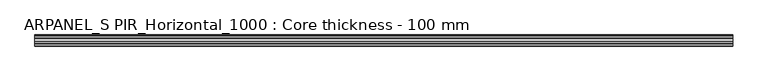
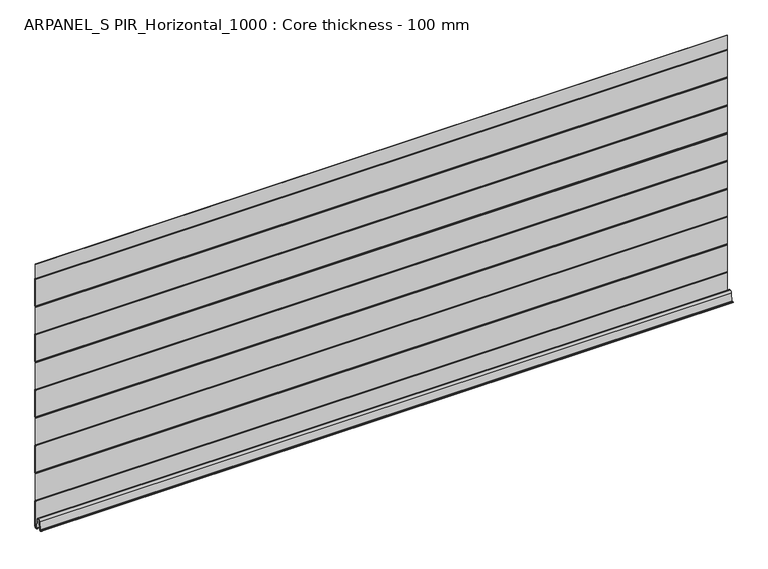
"""IFC4 building model written with IfcOpenShell, lengths in millimetres: plate geometry, ARPANEL_S PIR_Horizontal_1000 : Core thickness - 100 mm."""

from ifc_helpers import new_model, si_unit, frame, origin, place, context, project, spatial, polyline, circle_curve, source, transform, mapped, element, save
from ifc_brep_helpers import plane_surface, cylinder_surface, revolved_surface, advanced_brep


def arpanel_s_pir_horizontal_1000_core_thickness_100_mm_38e1f380(model_context):
    return source(origin(), model_context, "Body", "AdvancedBrep", [
        advanced_brep(
        [(-620.0, -0.7003051, 473.4703605), (-620.0, -0.4016712, 472.4190026), (-620.0, -0.0003051, 470.9985637), (-620.0, -0.0003051, 420.8387805), (-620.0, -0.4034608, 419.4194474), (-620.0, -0.7003051, 418.3669837), (-620.0, -0.7003051, 368.2072005), (-620.0, -0.4016712, 367.1558426), (-620.0, -0.0003051, 365.7354037), (-620.0, -0.0003051, 315.5756205), (-620.0, -0.4034608, 314.1562874), (-620.0, -0.7003051, 313.1038237), (-620.0, -0.7003051, 262.9440405), (-620.0, -0.4016712, 261.8926826), (-620.0, -0.0003051, 260.4722437), (-620.0, -0.0003051, 210.3124605), (-620.0, -0.4034608, 208.8931274), (-620.0, -0.7003051, 207.8406637), (-620.0, -0.7003051, 157.6808805), (-620.0, -0.4016712, 156.6295226), (-620.0, -0.0003051, 155.2090837), (-620.0, -0.0003051, 105.0493005), (-620.0, -0.4034608, 103.6299674), (-620.0, -0.7003051, 102.5775037), (-620.0, -0.7003051, 52.4177205), (-620.0, -0.4016712, 51.3663626), (-620.0, -0.0003051, 49.9459237), (-620.0, -0.0003051, 3.0900682), (-620.0, -6.18551, 2.7875612), (-620.0, -7.802884, 19.2828169), (-620.0, -10.8223285, 21.9898782), (-620.0, -13.8417729, 19.2828169), (-620.0, -15.2274002, 5.1510966), (-620.0, -19.6169005, 5.365779), (-620.0, -18.8169005, 5.365779), (-620.0, -16.0235822, 5.2291629), (-620.0, -14.6379549, 19.3608832), (-620.0, -10.8223285, 22.7899182), (-620.0, -7.0067021, 19.3608832), (-620.0, -5.3893281, 2.8656275), (-620.0, -0.8003051, 3.0900682), (-620.0, -0.8, 49.9459237), (-620.0, -1.0986697, 50.9973395), (-620.0, -1.5003051, 52.4177205), (-620.0, -1.5003051, 102.5775037), (-620.0, -1.0971009, 103.9969151), (-620.0, -0.8, 105.0493005), (-620.0, -0.8, 155.2090837), (-620.0, -1.0986697, 156.2604995), (-620.0, -1.5003051, 157.6808805), (-620.0, -1.5003051, 207.8406637), (-620.0, -1.0971009, 209.2600751), (-620.0, -0.8, 210.3124605), (-620.0, -0.8, 260.4722437), (-620.0, -1.0986697, 261.5236595), (-620.0, -1.5003051, 262.9440405), (-620.0, -1.5003051, 313.1038237), (-620.0, -1.0971009, 314.5232351), (-620.0, -0.8, 315.5756205), (-620.0, -0.8, 365.7354037), (-620.0, -1.0986697, 366.7868195), (-620.0, -1.5003051, 368.2072005), (-620.0, -1.5003051, 418.3669837), (-620.0, -1.0971009, 419.7863951), (-620.0, -0.8, 420.8387805), (-620.0, -0.8, 470.9985637), (-620.0, -1.0986697, 472.0499795), (-620.0, -1.5003051, 473.4703605), (-620.0, -1.5003051, 500.0), (-620.0, -0.7003051, 500.0), (620.0, -1.5003051, 473.4703605), (620.0, -1.0971009, 472.0509491), (620.0, -0.8, 470.9985637), (620.0, -0.8, 420.8387805), (620.0, -1.0986697, 419.7873646), (620.0, -1.5003051, 418.3669837), (620.0, -1.5003051, 368.2072005), (620.0, -1.0971009, 366.7877891), (620.0, -0.8, 365.7354037), (620.0, -0.8, 315.5756205), (620.0, -1.0986697, 314.5242046), (620.0, -1.5003051, 313.1038237), (620.0, -1.5003051, 262.9440405), (620.0, -1.0971009, 261.5246291), (620.0, -0.8, 260.4722437), (620.0, -0.8, 210.3124605), (620.0, -1.0986697, 209.2610446), (620.0, -1.5003051, 207.8406637), (620.0, -1.5003051, 157.6808805), (620.0, -1.0971009, 156.2614691), (620.0, -0.8, 155.2090837), (620.0, -0.8, 105.0493005), (620.0, -1.0986697, 103.9978846), (620.0, -1.5003051, 102.5775037), (620.0, -1.5003051, 52.4177205), (620.0, -1.0971009, 50.9983091), (620.0, -0.8, 49.9459237), (620.0, -0.8, 3.0900682), (620.0, -5.3893281, 2.8656275), (620.0, -7.0067021, 19.3608832), (620.0, -10.8223285, 22.7899182), (620.0, -14.6379549, 19.3608832), (620.0, -16.0235822, 5.2291629), (620.0, -18.8169005, 5.365779), (620.0, -19.6169005, 5.365779), (620.0, -15.2274002, 5.1510966), (620.0, -13.8417729, 19.2828169), (620.0, -10.8223285, 21.9898782), (620.0, -7.802884, 19.2828169), (620.0, -6.18551, 2.7875612), (620.0, -0.0003051, 3.0900682), (620.0, -0.0003051, 49.9459237), (620.0, -0.4034608, 51.3652568), (620.0, -0.7003051, 52.4177205), (620.0, -0.7003051, 102.5775037), (620.0, -0.4016712, 103.6288615), (620.0, -0.0003051, 105.0493005), (620.0, -0.0003051, 155.2090837), (620.0, -0.4034608, 156.6284168), (620.0, -0.7003051, 157.6808805), (620.0, -0.7003051, 207.8406637), (620.0, -0.4016712, 208.8920215), (620.0, -0.0003051, 210.3124605), (620.0, -0.0003051, 260.4722437), (620.0, -0.4034608, 261.8915768), (620.0, -0.7003051, 262.9440405), (620.0, -0.7003051, 313.1038237), (620.0, -0.4016712, 314.1551815), (620.0, -0.0003051, 315.5756205), (620.0, -0.0003051, 365.7354037), (620.0, -0.4034608, 367.1547368), (620.0, -0.7003051, 368.2072005), (620.0, -0.7003051, 418.3669837), (620.0, -0.4016712, 419.4183415), (620.0, -0.0003051, 420.8387805), (620.0, -0.0003051, 470.9985637), (620.0, -0.4034608, 472.4178968), (620.0, -0.7003051, 473.4703605), (620.0, -0.7003051, 500.0), (620.0, -1.5003051, 500.0)],
        [
            (0, 1, circle_curve(frame((-620.0, 1.2996949, 473.4703605), z_axis=(1.0, 0.0, 0.0), x_axis=(0.0, 0.0, -1.0)), 2.0)),
            (1, 2, circle_curve(frame((-620.0, -2.7003051, 470.9985637), z_axis=(-1.0, 0.0, 0.0), x_axis=(0.0, 0.0, -1.0)), 2.7)),
            (2, 3),
            (3, 4, circle_curve(frame((-620.0, -2.7003051, 420.8387805), z_axis=(-1.0, 0.0, 0.0), x_axis=(0.0, 0.0, -1.0)), 2.7)),
            (4, 5, circle_curve(frame((-620.0, 1.2996949, 418.3669837), z_axis=(1.0, 0.0, 0.0), x_axis=(0.0, 0.0, -1.0)), 2.0)),
            (5, 6),
            (6, 7, circle_curve(frame((-620.0, 1.2996949, 368.2072005), z_axis=(1.0, 0.0, 0.0), x_axis=(0.0, 0.0, -1.0)), 2.0)),
            (7, 8, circle_curve(frame((-620.0, -2.7003051, 365.7354037), z_axis=(-1.0, 0.0, 0.0), x_axis=(0.0, 0.0, -1.0)), 2.7)),
            (8, 9),
            (9, 10, circle_curve(frame((-620.0, -2.7003051, 315.5756205), z_axis=(-1.0, 0.0, 0.0), x_axis=(0.0, 0.0, -1.0)), 2.7)),
            (10, 11, circle_curve(frame((-620.0, 1.2996949, 313.1038237), z_axis=(1.0, 0.0, 0.0), x_axis=(0.0, 0.0, -1.0)), 2.0)),
            (11, 12),
            (12, 13, circle_curve(frame((-620.0, 1.2996949, 262.9440405), z_axis=(1.0, 0.0, 0.0), x_axis=(0.0, 0.0, -1.0)), 2.0)),
            (13, 14, circle_curve(frame((-620.0, -2.7003051, 260.4722437), z_axis=(-1.0, 0.0, 0.0), x_axis=(0.0, 0.0, -1.0)), 2.7)),
            (14, 15),
            (15, 16, circle_curve(frame((-620.0, -2.7003051, 210.3124605), z_axis=(-1.0, 0.0, 0.0), x_axis=(0.0, 0.0, -1.0)), 2.7)),
            (16, 17, circle_curve(frame((-620.0, 1.2996949, 207.8406637), z_axis=(1.0, 0.0, 0.0), x_axis=(0.0, 0.0, -1.0)), 2.0)),
            (17, 18),
            (18, 19, circle_curve(frame((-620.0, 1.2996949, 157.6808805), z_axis=(1.0, 0.0, 0.0), x_axis=(0.0, 0.0, -1.0)), 2.0)),
            (19, 20, circle_curve(frame((-620.0, -2.7003051, 155.2090837), z_axis=(-1.0, 0.0, 0.0), x_axis=(0.0, 0.0, -1.0)), 2.7)),
            (20, 21),
            (21, 22, circle_curve(frame((-620.0, -2.7003051, 105.0493005), z_axis=(-1.0, 0.0, 0.0), x_axis=(0.0, 0.0, -1.0)), 2.7)),
            (22, 23, circle_curve(frame((-620.0, 1.2996949, 102.5775037), z_axis=(1.0, 0.0, 0.0), x_axis=(0.0, 0.0, -1.0)), 2.0)),
            (23, 24),
            (24, 25, circle_curve(frame((-620.0, 1.2996949, 52.4177205), z_axis=(1.0, 0.0, 0.0), x_axis=(0.0, 0.0, -1.0)), 2.0)),
            (25, 26, circle_curve(frame((-620.0, -2.7003051, 49.9459237), z_axis=(-1.0, 0.0, 0.0), x_axis=(0.0, 0.0, -1.0)), 2.7)),
            (26, 27),
            (27, 28, circle_curve(frame((-620.0, -3.1003051, 3.0900682), z_axis=(-1.0, 0.0, 0.0), x_axis=(0.0, 0.0, -1.0)), 3.1)),
            (28, 29),
            (29, 30, circle_curve(frame((-620.0, -10.7885662, 18.9900682), z_axis=(1.0, 0.0, 0.0), x_axis=(0.0, 0.0, -1.0)), 3.0)),
            (30, 31, circle_curve(frame((-620.0, -10.8560907, 18.9900682), z_axis=(1.0, 0.0, 0.0), x_axis=(0.0, 0.0, -1.0)), 3.0)),
            (31, 32),
            (32, 33, circle_curve(frame((-620.0, -17.4169005, 5.365779), z_axis=(-1.0, 0.0, 0.0), x_axis=(0.0, 0.0, -1.0)), 2.2)),
            (33, 34),
            (34, 35, circle_curve(frame((-620.0, -17.4169005, 5.365779), z_axis=(1.0, 0.0, 0.0), x_axis=(0.0, 0.0, -1.0)), 1.4)),
            (35, 36),
            (36, 37, circle_curve(frame((-620.0, -10.8560907, 18.9900682), z_axis=(-1.0, 0.0, 0.0), x_axis=(0.0, 0.0, -1.0)), 3.8)),
            (37, 38, circle_curve(frame((-620.0, -10.7885662, 18.9900682), z_axis=(-1.0, 0.0, 0.0), x_axis=(0.0, 0.0, -1.0)), 3.8)),
            (38, 39),
            (39, 40, circle_curve(frame((-620.0, -3.1003051, 3.0900682), z_axis=(1.0, 0.0, 0.0), x_axis=(0.0, 0.0, -1.0)), 2.3)),
            (40, 41),
            (41, 42, circle_curve(frame((-620.0, -2.8, 49.9459237), z_axis=(1.0, 0.0, 0.0), x_axis=(0.0, 0.0, -1.0)), 2.0)),
            (42, 43, circle_curve(frame((-620.0, 1.1996949, 52.4177205), z_axis=(-1.0, 0.0, 0.0), x_axis=(0.0, 0.0, -1.0)), 2.7)),
            (43, 44),
            (44, 45, circle_curve(frame((-620.0, 1.1996949, 102.5775037), z_axis=(-1.0, 0.0, 0.0), x_axis=(0.0, 0.0, -1.0)), 2.7)),
            (45, 46, circle_curve(frame((-620.0, -2.8, 105.0493005), z_axis=(1.0, 0.0, 0.0), x_axis=(0.0, 0.0, -1.0)), 2.0)),
            (46, 47),
            (47, 48, circle_curve(frame((-620.0, -2.8, 155.2090837), z_axis=(1.0, 0.0, 0.0), x_axis=(0.0, 0.0, -1.0)), 2.0)),
            (48, 49, circle_curve(frame((-620.0, 1.1996949, 157.6808805), z_axis=(-1.0, 0.0, 0.0), x_axis=(0.0, 0.0, -1.0)), 2.7)),
            (49, 50),
            (50, 51, circle_curve(frame((-620.0, 1.1996949, 207.8406637), z_axis=(-1.0, 0.0, 0.0), x_axis=(0.0, 0.0, -1.0)), 2.7)),
            (51, 52, circle_curve(frame((-620.0, -2.8, 210.3124605), z_axis=(1.0, 0.0, 0.0), x_axis=(0.0, 0.0, -1.0)), 2.0)),
            (52, 53),
            (53, 54, circle_curve(frame((-620.0, -2.8, 260.4722437), z_axis=(1.0, 0.0, 0.0), x_axis=(0.0, 0.0, -1.0)), 2.0)),
            (54, 55, circle_curve(frame((-620.0, 1.1996949, 262.9440405), z_axis=(-1.0, 0.0, 0.0), x_axis=(0.0, 0.0, -1.0)), 2.7)),
            (55, 56),
            (56, 57, circle_curve(frame((-620.0, 1.1996949, 313.1038237), z_axis=(-1.0, 0.0, 0.0), x_axis=(0.0, 0.0, -1.0)), 2.7)),
            (57, 58, circle_curve(frame((-620.0, -2.8, 315.5756205), z_axis=(1.0, 0.0, 0.0), x_axis=(0.0, 0.0, -1.0)), 2.0)),
            (58, 59),
            (59, 60, circle_curve(frame((-620.0, -2.8, 365.7354037), z_axis=(1.0, 0.0, 0.0), x_axis=(0.0, 0.0, -1.0)), 2.0)),
            (60, 61, circle_curve(frame((-620.0, 1.1996949, 368.2072005), z_axis=(-1.0, 0.0, 0.0), x_axis=(0.0, 0.0, -1.0)), 2.7)),
            (61, 62),
            (62, 63, circle_curve(frame((-620.0, 1.1996949, 418.3669837), z_axis=(-1.0, 0.0, 0.0), x_axis=(0.0, 0.0, -1.0)), 2.7)),
            (63, 64, circle_curve(frame((-620.0, -2.8, 420.8387805), z_axis=(1.0, 0.0, 0.0), x_axis=(0.0, 0.0, -1.0)), 2.0)),
            (64, 65),
            (65, 66, circle_curve(frame((-620.0, -2.8, 470.9985637), z_axis=(1.0, 0.0, 0.0), x_axis=(0.0, 0.0, -1.0)), 2.0)),
            (66, 67, circle_curve(frame((-620.0, 1.1996949, 473.4703605), z_axis=(-1.0, 0.0, 0.0), x_axis=(0.0, 0.0, -1.0)), 2.7)),
            (67, 68),
            (68, 69),
            (69, 0),
            (70, 71, circle_curve(frame((620.0, 1.1996949, 473.4703605), z_axis=(1.0, 0.0, 0.0), x_axis=(0.0, 0.0, -1.0)), 2.7)),
            (71, 72, circle_curve(frame((620.0, -2.8, 470.9985637), z_axis=(-1.0, 0.0, 0.0), x_axis=(0.0, 0.0, -1.0)), 2.0)),
            (72, 73),
            (73, 74, circle_curve(frame((620.0, -2.8, 420.8387805), z_axis=(-1.0, 0.0, 0.0), x_axis=(0.0, 0.0, -1.0)), 2.0)),
            (74, 75, circle_curve(frame((620.0, 1.1996949, 418.3669837), z_axis=(1.0, 0.0, 0.0), x_axis=(0.0, 0.0, -1.0)), 2.7)),
            (75, 76),
            (76, 77, circle_curve(frame((620.0, 1.1996949, 368.2072005), z_axis=(1.0, 0.0, 0.0), x_axis=(0.0, 0.0, -1.0)), 2.7)),
            (77, 78, circle_curve(frame((620.0, -2.8, 365.7354037), z_axis=(-1.0, 0.0, 0.0), x_axis=(0.0, 0.0, -1.0)), 2.0)),
            (78, 79),
            (79, 80, circle_curve(frame((620.0, -2.8, 315.5756205), z_axis=(-1.0, 0.0, 0.0), x_axis=(0.0, 0.0, -1.0)), 2.0)),
            (80, 81, circle_curve(frame((620.0, 1.1996949, 313.1038237), z_axis=(1.0, 0.0, 0.0), x_axis=(0.0, 0.0, -1.0)), 2.7)),
            (81, 82),
            (82, 83, circle_curve(frame((620.0, 1.1996949, 262.9440405), z_axis=(1.0, 0.0, 0.0), x_axis=(0.0, 0.0, -1.0)), 2.7)),
            (83, 84, circle_curve(frame((620.0, -2.8, 260.4722437), z_axis=(-1.0, 0.0, 0.0), x_axis=(0.0, 0.0, -1.0)), 2.0)),
            (84, 85),
            (85, 86, circle_curve(frame((620.0, -2.8, 210.3124605), z_axis=(-1.0, 0.0, 0.0), x_axis=(0.0, 0.0, -1.0)), 2.0)),
            (86, 87, circle_curve(frame((620.0, 1.1996949, 207.8406637), z_axis=(1.0, 0.0, 0.0), x_axis=(0.0, 0.0, -1.0)), 2.7)),
            (87, 88),
            (88, 89, circle_curve(frame((620.0, 1.1996949, 157.6808805), z_axis=(1.0, 0.0, 0.0), x_axis=(0.0, 0.0, -1.0)), 2.7)),
            (89, 90, circle_curve(frame((620.0, -2.8, 155.2090837), z_axis=(-1.0, 0.0, 0.0), x_axis=(0.0, 0.0, -1.0)), 2.0)),
            (90, 91),
            (91, 92, circle_curve(frame((620.0, -2.8, 105.0493005), z_axis=(-1.0, 0.0, 0.0), x_axis=(0.0, 0.0, -1.0)), 2.0)),
            (92, 93, circle_curve(frame((620.0, 1.1996949, 102.5775037), z_axis=(1.0, 0.0, 0.0), x_axis=(0.0, 0.0, -1.0)), 2.7)),
            (93, 94),
            (94, 95, circle_curve(frame((620.0, 1.1996949, 52.4177205), z_axis=(1.0, 0.0, 0.0), x_axis=(0.0, 0.0, -1.0)), 2.7)),
            (95, 96, circle_curve(frame((620.0, -2.8, 49.9459237), z_axis=(-1.0, 0.0, 0.0), x_axis=(0.0, 0.0, -1.0)), 2.0)),
            (96, 97),
            (97, 98, circle_curve(frame((620.0, -3.1003051, 3.0900682), z_axis=(-1.0, 0.0, 0.0), x_axis=(0.0, 0.0, -1.0)), 2.3)),
            (98, 99),
            (99, 100, circle_curve(frame((620.0, -10.7885662, 18.9900682), z_axis=(1.0, 0.0, 0.0), x_axis=(0.0, 0.0, -1.0)), 3.8)),
            (100, 101, circle_curve(frame((620.0, -10.8560907, 18.9900682), z_axis=(1.0, 0.0, 0.0), x_axis=(0.0, 0.0, -1.0)), 3.8)),
            (101, 102),
            (102, 103, circle_curve(frame((620.0, -17.4169005, 5.365779), z_axis=(-1.0, 0.0, 0.0), x_axis=(0.0, 0.0, -1.0)), 1.4)),
            (103, 104),
            (104, 105, circle_curve(frame((620.0, -17.4169005, 5.365779), z_axis=(1.0, 0.0, 0.0), x_axis=(0.0, 0.0, -1.0)), 2.2)),
            (105, 106),
            (106, 107, circle_curve(frame((620.0, -10.8560907, 18.9900682), z_axis=(-1.0, 0.0, 0.0), x_axis=(0.0, 0.0, -1.0)), 3.0)),
            (107, 108, circle_curve(frame((620.0, -10.7885662, 18.9900682), z_axis=(-1.0, 0.0, 0.0), x_axis=(0.0, 0.0, -1.0)), 3.0)),
            (108, 109),
            (109, 110, circle_curve(frame((620.0, -3.1003051, 3.0900682), z_axis=(1.0, 0.0, 0.0), x_axis=(0.0, 0.0, -1.0)), 3.1)),
            (110, 111),
            (111, 112, circle_curve(frame((620.0, -2.7003051, 49.9459237), z_axis=(1.0, 0.0, 0.0), x_axis=(0.0, 0.0, -1.0)), 2.7)),
            (112, 113, circle_curve(frame((620.0, 1.2996949, 52.4177205), z_axis=(-1.0, 0.0, 0.0), x_axis=(0.0, 0.0, -1.0)), 2.0)),
            (113, 114),
            (114, 115, circle_curve(frame((620.0, 1.2996949, 102.5775037), z_axis=(-1.0, 0.0, 0.0), x_axis=(0.0, 0.0, -1.0)), 2.0)),
            (115, 116, circle_curve(frame((620.0, -2.7003051, 105.0493005), z_axis=(1.0, 0.0, 0.0), x_axis=(0.0, 0.0, -1.0)), 2.7)),
            (116, 117),
            (117, 118, circle_curve(frame((620.0, -2.7003051, 155.2090837), z_axis=(1.0, 0.0, 0.0), x_axis=(0.0, 0.0, -1.0)), 2.7)),
            (118, 119, circle_curve(frame((620.0, 1.2996949, 157.6808805), z_axis=(-1.0, 0.0, 0.0), x_axis=(0.0, 0.0, -1.0)), 2.0)),
            (119, 120),
            (120, 121, circle_curve(frame((620.0, 1.2996949, 207.8406637), z_axis=(-1.0, 0.0, 0.0), x_axis=(0.0, 0.0, -1.0)), 2.0)),
            (121, 122, circle_curve(frame((620.0, -2.7003051, 210.3124605), z_axis=(1.0, 0.0, 0.0), x_axis=(0.0, 0.0, -1.0)), 2.7)),
            (122, 123),
            (123, 124, circle_curve(frame((620.0, -2.7003051, 260.4722437), z_axis=(1.0, 0.0, 0.0), x_axis=(0.0, 0.0, -1.0)), 2.7)),
            (124, 125, circle_curve(frame((620.0, 1.2996949, 262.9440405), z_axis=(-1.0, 0.0, 0.0), x_axis=(0.0, 0.0, -1.0)), 2.0)),
            (125, 126),
            (126, 127, circle_curve(frame((620.0, 1.2996949, 313.1038237), z_axis=(-1.0, 0.0, 0.0), x_axis=(0.0, 0.0, -1.0)), 2.0)),
            (127, 128, circle_curve(frame((620.0, -2.7003051, 315.5756205), z_axis=(1.0, 0.0, 0.0), x_axis=(0.0, 0.0, -1.0)), 2.7)),
            (128, 129),
            (129, 130, circle_curve(frame((620.0, -2.7003051, 365.7354037), z_axis=(1.0, 0.0, 0.0), x_axis=(0.0, 0.0, -1.0)), 2.7)),
            (130, 131, circle_curve(frame((620.0, 1.2996949, 368.2072005), z_axis=(-1.0, 0.0, 0.0), x_axis=(0.0, 0.0, -1.0)), 2.0)),
            (131, 132),
            (132, 133, circle_curve(frame((620.0, 1.2996949, 418.3669837), z_axis=(-1.0, 0.0, 0.0), x_axis=(0.0, 0.0, -1.0)), 2.0)),
            (133, 134, circle_curve(frame((620.0, -2.7003051, 420.8387805), z_axis=(1.0, 0.0, 0.0), x_axis=(0.0, 0.0, -1.0)), 2.7)),
            (134, 135),
            (135, 136, circle_curve(frame((620.0, -2.7003051, 470.9985637), z_axis=(1.0, 0.0, 0.0), x_axis=(0.0, 0.0, -1.0)), 2.7)),
            (136, 137, circle_curve(frame((620.0, 1.2996949, 473.4703605), z_axis=(-1.0, 0.0, 0.0), x_axis=(0.0, 0.0, -1.0)), 2.0)),
            (137, 138),
            (138, 139),
            (139, 70),
            (67, 70),
            (139, 68),
            (66, 71),
            (65, 72),
            (64, 73),
            (63, 74),
            (62, 75),
            (61, 76),
            (60, 77),
            (59, 78),
            (58, 79),
            (57, 80),
            (56, 81),
            (55, 82),
            (54, 83),
            (53, 84),
            (52, 85),
            (51, 86),
            (50, 87),
            (49, 88),
            (48, 89),
            (47, 90),
            (46, 91),
            (45, 92),
            (44, 93),
            (43, 94),
            (42, 95),
            (41, 96),
            (40, 97),
            (39, 98),
            (38, 99),
            (37, 100),
            (36, 101),
            (35, 102),
            (34, 103),
            (33, 104),
            (32, 105),
            (31, 106),
            (30, 107),
            (29, 108),
            (28, 109),
            (27, 110),
            (26, 111),
            (25, 112),
            (24, 113),
            (23, 114),
            (22, 115),
            (21, 116),
            (20, 117),
            (19, 118),
            (18, 119),
            (17, 120),
            (16, 121),
            (15, 122),
            (14, 123),
            (13, 124),
            (12, 125),
            (11, 126),
            (10, 127),
            (9, 128),
            (8, 129),
            (7, 130),
            (6, 131),
            (5, 132),
            (4, 133),
            (3, 134),
            (2, 135),
            (1, 136),
            (0, 137),
            (69, 138),
        ],
        [
            plane_surface(frame((-620.0, 0.0, 0.0), z_axis=(-1.0, 0.0, 0.0), x_axis=(0.0, -1.0, 0.0))),
            plane_surface(frame((620.0, 0.0, 0.0), z_axis=(1.0, 0.0, 0.0), x_axis=(0.0, -1.0, 0.0))),
            plane_surface(frame((-620.0, -1.5003051, 473.4703605), z_axis=(0.0, -1.0, 0.0), x_axis=(1.0, 0.0, 0.0))),
            cylinder_surface(frame((-620.0, 1.1996949, 473.4703605), z_axis=(-1.0, 0.0, 0.0), x_axis=(0.0, 0.0, -1.0)), 2.7),
            revolved_surface(polyline([(620.0, -2.8, 468.9985637), (-620.0, -2.8, 468.9985637)]), (-620.0, -2.8, 470.9985637), (1.0, 0.0, 0.0)),
            plane_surface(frame((-620.0, -0.8, 420.8387805), z_axis=(0.0, -1.0, 0.0), x_axis=(1.0, 0.0, 0.0))),
            revolved_surface(polyline([(620.0, -2.8, 418.8387805), (-620.0, -2.8, 418.8387805)]), (-620.0, -2.8, 420.8387805), (1.0, 0.0, 0.0)),
            cylinder_surface(frame((-620.0, 1.1996949, 418.3669837), z_axis=(-1.0, 0.0, 0.0), x_axis=(0.0, 0.0, -1.0)), 2.7),
            plane_surface(frame((-620.0, -1.5003051, 368.2072005), z_axis=(0.0, -1.0, 0.0), x_axis=(1.0, 0.0, 0.0))),
            cylinder_surface(frame((-620.0, 1.1996949, 368.2072005), z_axis=(-1.0, 0.0, 0.0), x_axis=(0.0, 0.0, -1.0)), 2.7),
            revolved_surface(polyline([(620.0, -2.8, 363.7354037), (-620.0, -2.8, 363.7354037)]), (-620.0, -2.8, 365.7354037), (1.0, 0.0, 0.0)),
            plane_surface(frame((-620.0, -0.8, 315.5756205), z_axis=(0.0, -1.0, 0.0), x_axis=(1.0, 0.0, 0.0))),
            revolved_surface(polyline([(620.0, -2.8, 313.5756205), (-620.0, -2.8, 313.5756205)]), (-620.0, -2.8, 315.5756205), (1.0, 0.0, 0.0)),
            cylinder_surface(frame((-620.0, 1.1996949, 313.1038237), z_axis=(-1.0, 0.0, 0.0), x_axis=(0.0, 0.0, -1.0)), 2.7),
            plane_surface(frame((-620.0, -1.5003051, 262.9440405), z_axis=(0.0, -1.0, 0.0), x_axis=(1.0, 0.0, 0.0))),
            cylinder_surface(frame((-620.0, 1.1996949, 262.9440405), z_axis=(-1.0, 0.0, 0.0), x_axis=(0.0, 0.0, -1.0)), 2.7),
            revolved_surface(polyline([(620.0, -2.8, 258.4722437), (-620.0, -2.8, 258.4722437)]), (-620.0, -2.8, 260.4722437), (1.0, 0.0, 0.0)),
            plane_surface(frame((-620.0, -0.8, 210.3124605), z_axis=(0.0, -1.0, 0.0), x_axis=(1.0, 0.0, 0.0))),
            revolved_surface(polyline([(620.0, -2.8, 208.3124605), (-620.0, -2.8, 208.3124605)]), (-620.0, -2.8, 210.3124605), (1.0, 0.0, 0.0)),
            cylinder_surface(frame((-620.0, 1.1996949, 207.8406637), z_axis=(-1.0, 0.0, 0.0), x_axis=(0.0, 0.0, -1.0)), 2.7),
            plane_surface(frame((-620.0, -1.5003051, 157.6808805), z_axis=(0.0, -1.0, 0.0), x_axis=(1.0, 0.0, 0.0))),
            cylinder_surface(frame((-620.0, 1.1996949, 157.6808805), z_axis=(-1.0, 0.0, 0.0), x_axis=(0.0, 0.0, -1.0)), 2.7),
            revolved_surface(polyline([(620.0, -2.8, 153.2090837), (-620.0, -2.8, 153.2090837)]), (-620.0, -2.8, 155.2090837), (1.0, 0.0, 0.0)),
            plane_surface(frame((-620.0, -0.8, 105.0493005), z_axis=(0.0, -1.0, 0.0), x_axis=(1.0, 0.0, 0.0))),
            revolved_surface(polyline([(620.0, -2.8, 103.0493005), (-620.0, -2.8, 103.0493005)]), (-620.0, -2.8, 105.0493005), (1.0, 0.0, 0.0)),
            cylinder_surface(frame((-620.0, 1.1996949, 102.5775037), z_axis=(-1.0, 0.0, 0.0), x_axis=(0.0, 0.0, -1.0)), 2.7),
            plane_surface(frame((-620.0, -1.5003051, 52.4177205), z_axis=(0.0, -1.0, 0.0), x_axis=(1.0, 0.0, 0.0))),
            cylinder_surface(frame((-620.0, 1.1996949, 52.4177205), z_axis=(-1.0, 0.0, 0.0), x_axis=(0.0, 0.0, -1.0)), 2.7),
            revolved_surface(polyline([(620.0, -2.8, 47.9459237), (-620.0, -2.8, 47.9459237)]), (-620.0, -2.8, 49.9459237), (1.0, 0.0, 0.0)),
            plane_surface(frame((-620.0, -0.8, 3.0900682), z_axis=(0.0, -1.0, 0.0), x_axis=(1.0, 0.0, 0.0))),
            revolved_surface(polyline([(620.0, -3.1003051, 0.7900682000000003), (-620.0, -3.1003051, 0.7900682000000003)]), (-620.0, -3.1003051, 3.0900682), (1.0, 0.0, 0.0)),
            plane_surface(frame((-620.0, -7.0067021, 19.3608832), z_axis=(0.0, 0.9952273999818314, 0.09758289975914787), x_axis=(1.0, 0.0, 0.0))),
            cylinder_surface(frame((-620.0, -10.7885662, 18.9900682), z_axis=(-1.0, 0.0, 0.0), x_axis=(0.0, 0.0, -1.0)), 3.8),
            cylinder_surface(frame((-620.0, -10.8560907, 18.9900682), z_axis=(-1.0, 0.0, 0.0), x_axis=(0.0, 0.0, -1.0)), 3.8),
            plane_surface(frame((-620.0, -16.0235822, 5.2291629), z_axis=(0.0, -0.9952273999818297, 0.09758289975916531), x_axis=(1.0, 0.0, 0.0))),
            revolved_surface(polyline([(620.0, -17.4169005, 3.965779), (-620.0, -17.4169005, 3.965779)]), (-620.0, -17.4169005, 5.365779), (1.0, 0.0, 0.0)),
            plane_surface(frame((-620.0, -19.6169005, 5.365779), z_axis=(0.0, 0.0, 1.0), x_axis=(1.0, 0.0, 0.0))),
            cylinder_surface(frame((-620.0, -17.4169005, 5.365779), z_axis=(-1.0, 0.0, 0.0), x_axis=(0.0, 0.0, -1.0)), 2.2),
            plane_surface(frame((-620.0, -13.8417729, 19.2828169), z_axis=(0.0, 0.9952273999818296, -0.09758289975916527), x_axis=(1.0, 0.0, 0.0))),
            revolved_surface(polyline([(620.0, -10.8560907, 15.9900682), (-620.0, -10.8560907, 15.9900682)]), (-620.0, -10.8560907, 18.9900682), (1.0, 0.0, 0.0)),
            revolved_surface(polyline([(620.0, -10.7885662, 15.9900682), (-620.0, -10.7885662, 15.9900682)]), (-620.0, -10.7885662, 18.9900682), (1.0, 0.0, 0.0)),
            plane_surface(frame((-620.0, -6.18551, 2.7875612), z_axis=(0.0, -0.9952273999818314, -0.09758289975914787), x_axis=(1.0, 0.0, 0.0))),
            cylinder_surface(frame((-620.0, -3.1003051, 3.0900682), z_axis=(-1.0, 0.0, 0.0), x_axis=(0.0, 0.0, -1.0)), 3.1),
            plane_surface(frame((-620.0, -0.0003051, 49.9459237), z_axis=(0.0, 1.0, 0.0), x_axis=(1.0, 0.0, 0.0))),
            cylinder_surface(frame((-620.0, -2.7003051, 49.9459237), z_axis=(-1.0, 0.0, 0.0), x_axis=(0.0, 0.0, -1.0)), 2.7),
            revolved_surface(polyline([(620.0, 1.2996949, 50.4177205), (-620.0, 1.2996949, 50.4177205)]), (-620.0, 1.2996949, 52.4177205), (1.0, 0.0, 0.0)),
            plane_surface(frame((-620.0, -0.7003051, 102.5775037), z_axis=(0.0, 1.0, 0.0), x_axis=(1.0, 0.0, 0.0))),
            revolved_surface(polyline([(620.0, 1.2996949, 100.5775037), (-620.0, 1.2996949, 100.5775037)]), (-620.0, 1.2996949, 102.5775037), (1.0, 0.0, 0.0)),
            cylinder_surface(frame((-620.0, -2.7003051, 105.0493005), z_axis=(-1.0, 0.0, 0.0), x_axis=(0.0, 0.0, -1.0)), 2.7),
            plane_surface(frame((-620.0, -0.0003051, 155.2090837), z_axis=(0.0, 1.0, 0.0), x_axis=(1.0, 0.0, 0.0))),
            cylinder_surface(frame((-620.0, -2.7003051, 155.2090837), z_axis=(-1.0, 0.0, 0.0), x_axis=(0.0, 0.0, -1.0)), 2.7),
            revolved_surface(polyline([(620.0, 1.2996949, 155.6808805), (-620.0, 1.2996949, 155.6808805)]), (-620.0, 1.2996949, 157.6808805), (1.0, 0.0, 0.0)),
            plane_surface(frame((-620.0, -0.7003051, 207.8406637), z_axis=(0.0, 1.0, 0.0), x_axis=(1.0, 0.0, 0.0))),
            revolved_surface(polyline([(620.0, 1.2996949, 205.8406637), (-620.0, 1.2996949, 205.8406637)]), (-620.0, 1.2996949, 207.8406637), (1.0, 0.0, 0.0)),
            cylinder_surface(frame((-620.0, -2.7003051, 210.3124605), z_axis=(-1.0, 0.0, 0.0), x_axis=(0.0, 0.0, -1.0)), 2.7),
            plane_surface(frame((-620.0, -0.0003051, 260.4722437), z_axis=(0.0, 1.0, 0.0), x_axis=(1.0, 0.0, 0.0))),
            cylinder_surface(frame((-620.0, -2.7003051, 260.4722437), z_axis=(-1.0, 0.0, 0.0), x_axis=(0.0, 0.0, -1.0)), 2.7),
            revolved_surface(polyline([(620.0, 1.2996949, 260.9440405), (-620.0, 1.2996949, 260.9440405)]), (-620.0, 1.2996949, 262.9440405), (1.0, 0.0, 0.0)),
            plane_surface(frame((-620.0, -0.7003051, 313.1038237), z_axis=(0.0, 1.0, 0.0), x_axis=(1.0, 0.0, 0.0))),
            revolved_surface(polyline([(620.0, 1.2996949, 311.1038237), (-620.0, 1.2996949, 311.1038237)]), (-620.0, 1.2996949, 313.1038237), (1.0, 0.0, 0.0)),
            cylinder_surface(frame((-620.0, -2.7003051, 315.5756205), z_axis=(-1.0, 0.0, 0.0), x_axis=(0.0, 0.0, -1.0)), 2.7),
            plane_surface(frame((-620.0, -0.0003051, 365.7354037), z_axis=(0.0, 1.0, 0.0), x_axis=(1.0, 0.0, 0.0))),
            cylinder_surface(frame((-620.0, -2.7003051, 365.7354037), z_axis=(-1.0, 0.0, 0.0), x_axis=(0.0, 0.0, -1.0)), 2.7),
            revolved_surface(polyline([(620.0, 1.2996949, 366.2072005), (-620.0, 1.2996949, 366.2072005)]), (-620.0, 1.2996949, 368.2072005), (1.0, 0.0, 0.0)),
            plane_surface(frame((-620.0, -0.7003051, 418.3669837), z_axis=(0.0, 1.0, 0.0), x_axis=(1.0, 0.0, 0.0))),
            revolved_surface(polyline([(620.0, 1.2996949, 416.3669837), (-620.0, 1.2996949, 416.3669837)]), (-620.0, 1.2996949, 418.3669837), (1.0, 0.0, 0.0)),
            cylinder_surface(frame((-620.0, -2.7003051, 420.8387805), z_axis=(-1.0, 0.0, 0.0), x_axis=(0.0, 0.0, -1.0)), 2.7),
            plane_surface(frame((-620.0, -0.0003051, 470.9985637), z_axis=(0.0, 1.0, 0.0), x_axis=(1.0, 0.0, 0.0))),
            cylinder_surface(frame((-620.0, -2.7003051, 470.9985637), z_axis=(-1.0, 0.0, 0.0), x_axis=(0.0, 0.0, -1.0)), 2.7),
            revolved_surface(polyline([(620.0, 1.2996949, 471.4703605), (-620.0, 1.2996949, 471.4703605)]), (-620.0, 1.2996949, 473.4703605), (1.0, 0.0, 0.0)),
            plane_surface(frame((-620.0, -0.7003051, 523.6301437), z_axis=(0.0, 1.0, 0.0), x_axis=(1.0, 0.0, 0.0))),
            plane_surface(frame((-620.0, 134.0533409, 500.0), z_axis=(0.0, 0.0, 1.0), x_axis=(1.0, 0.0, 0.0))),
        ],
        [
            (0, [[1, 2, 3, 4, 5, 6, 7, 8, 9, 10, 11, 12, 13, 14, 15, 16, 17, 18, 19, 20, 21, 22, 23, 24, 25, 26, 27, 28, 29, 30, 31, 32, 33, 34, 35, 36, 37, 38, 39, 40, 41, 42, 43, 44, 45, 46, 47, 48, 49, 50, 51, 52, 53, 54, 55, 56, 57, 58, 59, 60, 61, 62, 63, 64, 65, 66, 67, 68, 69, 70]]),
            (1, [[71, 72, 73, 74, 75, 76, 77, 78, 79, 80, 81, 82, 83, 84, 85, 86, 87, 88, 89, 90, 91, 92, 93, 94, 95, 96, 97, 98, 99, 100, 101, 102, 103, 104, 105, 106, 107, 108, 109, 110, 111, 112, 113, 114, 115, 116, 117, 118, 119, 120, 121, 122, 123, 124, 125, 126, 127, 128, 129, 130, 131, 132, 133, 134, 135, 136, 137, 138, 139, 140]]),
            (2, [[141, -140, 142, -68]]),
            (3, [[-67, 143, -71, -141]]),
            (4, [[-66, 144, -72, -143]]),
            (5, [[-65, 145, -73, -144]]),
            (6, [[-64, 146, -74, -145]]),
            (7, [[-63, 147, -75, -146]]),
            (8, [[-62, 148, -76, -147]]),
            (9, [[-61, 149, -77, -148]]),
            (10, [[-60, 150, -78, -149]]),
            (11, [[-59, 151, -79, -150]]),
            (12, [[-58, 152, -80, -151]]),
            (13, [[-57, 153, -81, -152]]),
            (14, [[-56, 154, -82, -153]]),
            (15, [[-55, 155, -83, -154]]),
            (16, [[-54, 156, -84, -155]]),
            (17, [[-53, 157, -85, -156]]),
            (18, [[-52, 158, -86, -157]]),
            (19, [[-51, 159, -87, -158]]),
            (20, [[-50, 160, -88, -159]]),
            (21, [[-49, 161, -89, -160]]),
            (22, [[-48, 162, -90, -161]]),
            (23, [[-47, 163, -91, -162]]),
            (24, [[-46, 164, -92, -163]]),
            (25, [[-45, 165, -93, -164]]),
            (26, [[-44, 166, -94, -165]]),
            (27, [[-43, 167, -95, -166]]),
            (28, [[-42, 168, -96, -167]]),
            (29, [[-41, 169, -97, -168]]),
            (30, [[-40, 170, -98, -169]]),
            (31, [[-39, 171, -99, -170]]),
            (32, [[-38, 172, -100, -171]]),
            (33, [[-37, 173, -101, -172]]),
            (34, [[-36, 174, -102, -173]]),
            (35, [[-35, 175, -103, -174]]),
            (36, [[-34, 176, -104, -175]]),
            (37, [[-33, 177, -105, -176]]),
            (38, [[-32, 178, -106, -177]]),
            (39, [[-31, 179, -107, -178]]),
            (40, [[-30, 180, -108, -179]]),
            (41, [[-29, 181, -109, -180]]),
            (42, [[-28, 182, -110, -181]]),
            (43, [[-27, 183, -111, -182]]),
            (44, [[-26, 184, -112, -183]]),
            (45, [[-25, 185, -113, -184]]),
            (46, [[-24, 186, -114, -185]]),
            (47, [[-23, 187, -115, -186]]),
            (48, [[-22, 188, -116, -187]]),
            (49, [[-21, 189, -117, -188]]),
            (50, [[-20, 190, -118, -189]]),
            (51, [[-19, 191, -119, -190]]),
            (52, [[-18, 192, -120, -191]]),
            (53, [[-17, 193, -121, -192]]),
            (54, [[-16, 194, -122, -193]]),
            (55, [[-15, 195, -123, -194]]),
            (56, [[-14, 196, -124, -195]]),
            (57, [[-13, 197, -125, -196]]),
            (58, [[-12, 198, -126, -197]]),
            (59, [[-11, 199, -127, -198]]),
            (60, [[-10, 200, -128, -199]]),
            (61, [[-9, 201, -129, -200]]),
            (62, [[-8, 202, -130, -201]]),
            (63, [[-7, 203, -131, -202]]),
            (64, [[-6, 204, -132, -203]]),
            (65, [[-5, 205, -133, -204]]),
            (66, [[-4, 206, -134, -205]]),
            (67, [[-3, 207, -135, -206]]),
            (68, [[-2, 208, -136, -207]]),
            (69, [[-1, 209, -137, -208]]),
            (70, [[-209, -70, 210, -138]]),
            (71, [[-69, -142, -139, -210]]),
        ],
    ),
    ])


if __name__ == "__main__":
    model = new_model("IFC4")
    model_context = context("Model", 3, world=origin())
    ifc_project = project(units=[si_unit("LENGTHUNIT", "METRE", prefix="MILLI")], contexts=[model_context])
    site = spatial("IfcSite", under=ifc_project)
    building = spatial("IfcBuilding", under=site)
    placement = place(None, origin())
    arpanel_s_pir_horizontal_1000_core_thickness_100_mm_shape = arpanel_s_pir_horizontal_1000_core_thickness_100_mm_38e1f380(model_context)
    element("IfcPlate", 1, ObjectType="ARPANEL_S PIR_Horizontal_1000 : Core thickness - 100 mm", at=placement, inside=building, context=model_context, shape_type="MappedRepresentation", body=[
        mapped(arpanel_s_pir_horizontal_1000_core_thickness_100_mm_shape, transform((0.0, 0.0, 0.0), x_axis=(1.0, 0.0, 0.0), y_axis=(0.0, 1.0, 0.0), z_axis=(0.0, 0.0, 1.0))),
    ])
    save(model, "model.ifc")
